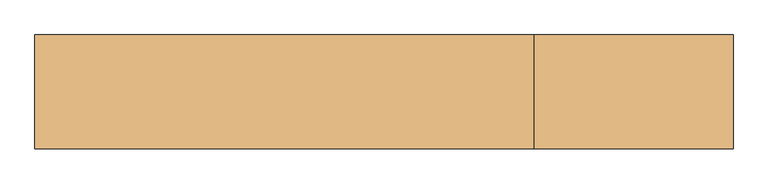
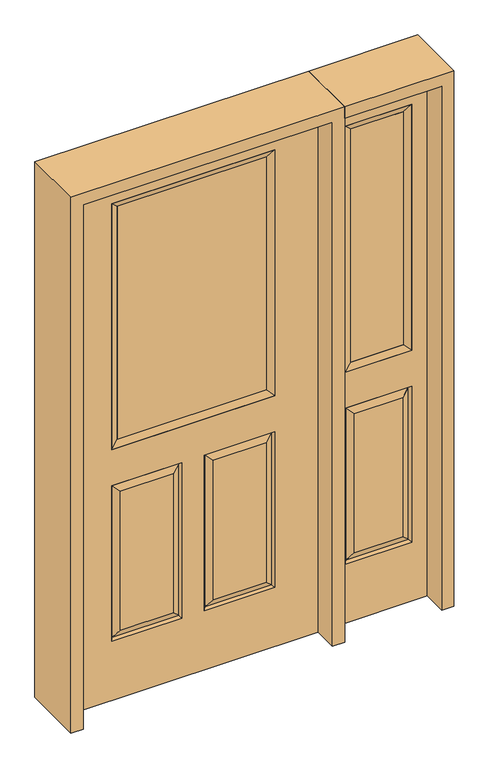
"""IFC4 building model written with IfcOpenShell, lengths in millimetres: door geometry."""

from ifc_helpers import new_model, si_unit, frame, origin, place, context, project, spatial, polyline, outline, extrude, faceted_brep, source, transform, mapped, element, save


def door_63c38b72(model_context):
    return source(origin(), model_context, "Body", "SolidModel", [
        faceted_brep([(-457.2, -22.225, 0.0), (457.2, -22.225, 0.0), (457.2, -22.225, 2032.0), (-457.2, -22.225, 2032.0), (-299.339, -22.225, 971.55), (-299.339, -22.225, 1925.574), (299.339, -22.225, 1925.574), (299.339, -22.225, 971.55), (-299.339, -22.225, 831.85), (-41.275, -22.225, 831.85), (-41.275, -22.225, 228.6), (-299.339, -22.225, 228.6), (41.275, -22.225, 831.85), (299.339, -22.225, 831.85), (299.339, -22.225, 228.6), (41.275, -22.225, 228.6), (-73.025, -22.225, 800.1), (-267.589, -22.225, 800.1), (-267.589, -22.225, 260.35), (-73.025, -22.225, 260.35), (267.589, -22.225, 800.1), (73.025, -22.225, 800.1), (73.025, -22.225, 260.35), (267.589, -22.225, 260.35), (-457.2, 22.225, 0.0), (457.2, 22.225, 0.0), (457.2, 22.225, 2032.0), (-457.2, 22.225, 2032.0), (-299.339, 22.225, 971.55), (-299.339, 22.225, 1925.574), (299.339, 22.225, 1925.574), (299.339, 22.225, 971.55), (-41.275, 22.225, 831.85), (-299.339, 22.225, 831.85), (-299.339, 22.225, 228.6), (-41.275, 22.225, 228.6), (299.339, 22.225, 831.85), (41.275, 22.225, 831.85), (41.275, 22.225, 228.6), (299.339, 22.225, 228.6), (-267.589, 22.225, 800.1), (-73.025, 22.225, 800.1), (-73.025, 22.225, 260.35), (-267.589, 22.225, 260.35), (73.025, 22.225, 800.1), (267.589, 22.225, 800.1), (267.589, 22.225, 260.35), (73.025, 22.225, 260.35), (-48.41875, -12.7449236, 824.70625), (-292.19525, -12.7449236, 824.70625), (-292.19525, -12.7449236, 235.74375), (-48.41875, -12.7449236, 235.74375), (292.19525, -12.7449236, 824.70625), (48.41875, -12.7449236, 824.70625), (48.41875, -12.7449236, 235.74375), (292.19525, -12.7449236, 235.74375), (-292.19525, 12.7449236, 824.70625), (-48.41875, 12.7449236, 824.70625), (-48.41875, 12.7449236, 235.74375), (-292.19525, 12.7449236, 235.74375), (48.41875, 12.7449236, 824.70625), (292.19525, 12.7449236, 824.70625), (292.19525, 12.7449236, 235.74375), (48.41875, 12.7449236, 235.74375)], [[[0, 1, 2, 3], [4, 5, 6, 7], [8, 9, 10, 11], [12, 13, 14, 15]], [[16, 17, 18, 19]], [[20, 21, 22, 23]], [[1, 0, 24, 25]], [[2, 1, 25, 26]], [[0, 3, 27, 24]], [[5, 4, 28, 29]], [[7, 6, 30, 31]], [[4, 7, 31, 28]], [[24, 27, 26, 25], [28, 31, 30, 29], [32, 33, 34, 35], [36, 37, 38, 39]], [[40, 41, 42, 43]], [[44, 45, 46, 47]], [[3, 2, 26, 27]], [[6, 5, 29, 30]], [[16, 48, 49, 17]], [[17, 49, 50, 18]], [[51, 19, 18, 50]], [[48, 16, 19, 51]], [[49, 48, 9, 8]], [[9, 48, 51, 10]], [[10, 51, 50, 11]], [[49, 8, 11, 50]], [[52, 53, 21, 20]], [[21, 53, 54, 22]], [[22, 54, 55, 23]], [[52, 20, 23, 55]], [[53, 52, 13, 12]], [[13, 52, 55, 14]], [[54, 15, 14, 55]], [[53, 12, 15, 54]], [[56, 57, 41, 40]], [[41, 57, 58, 42]], [[42, 58, 59, 43]], [[56, 40, 43, 59]], [[57, 56, 33, 32]], [[33, 56, 59, 34]], [[58, 35, 34, 59]], [[57, 32, 35, 58]], [[44, 60, 61, 45]], [[45, 61, 62, 46]], [[63, 47, 46, 62]], [[60, 44, 47, 63]], [[61, 60, 37, 36]], [[37, 60, 63, 38]], [[38, 63, 62, 39]], [[61, 36, 39, 62]]]),
        extrude(outline(polyline([(273.939, -12.7), (-273.939, -12.7), (-273.939, 12.7), (273.939, 12.7), (273.939, -12.7)])), frame((0.0, 0.0, 996.95), z_axis=(0.0, 0.0, 1.0), x_axis=(1.0, 0.0, 0.0)), (0.0, 0.0, 1.0), 903.224),
        faceted_brep([(-299.339, -22.225, 1925.574), (-299.339, 22.225, 1925.574), (-299.339, 22.225, 971.55), (-299.339, -22.225, 971.55), (299.339, 22.225, 971.55), (299.339, -22.225, 971.55), (-273.939, 12.7, 996.95), (273.939, 12.7, 996.95), (299.339, 22.225, 1925.574), (299.339, -22.225, 1925.574), (-273.939, -12.7, 996.95), (273.939, -12.7, 996.95), (-273.939, -12.7, 1900.174), (273.939, -12.7, 1900.174), (-273.939, 12.7, 1900.174), (273.939, 12.7, 1900.174)], [[[0, 1, 2, 3]], [[3, 2, 4, 5]], [[2, 6, 7, 4]], [[5, 4, 8, 9]], [[10, 3, 5, 11]], [[12, 0, 3, 10]], [[11, 5, 9, 13]], [[6, 10, 11, 7]], [[14, 12, 10, 6]], [[7, 11, 13, 15]], [[1, 14, 6, 2]], [[4, 7, 15, 8]], [[9, 8, 1, 0]], [[13, 9, 0, 12]], [[15, 13, 12, 14]], [[8, 15, 14, 1]]]),
        faceted_brep([(857.25, -22.225, 0.0), (857.25, -22.225, 2032.0), (501.65, -22.225, 2032.0), (501.65, -22.225, 0.0), (558.038, -22.225, 1925.574), (800.862, -22.225, 1925.574), (800.862, -22.225, 971.55), (558.038, -22.225, 971.55), (558.038, -22.225, 228.6), (558.038, -22.225, 831.85), (800.862, -22.225, 831.85), (800.862, -22.225, 228.6), (768.9559872, -22.225, 260.5060128), (768.9559872, -22.225, 799.9439872), (589.9440128, -22.225, 799.9439872), (589.9440128, -22.225, 260.5060128), (501.65, 22.225, 0.0), (857.25, 22.225, 0.0), (501.65, 22.225, 2032.0), (857.25, 22.225, 2032.0), (558.038, 22.225, 971.55), (558.038, 22.225, 1925.574), (800.862, 22.225, 971.55), (800.862, 22.225, 1925.574), (800.862, 22.225, 228.6), (800.862, 22.225, 831.85), (558.038, 22.225, 831.85), (558.038, 22.225, 228.6), (589.9440128, 22.225, 260.5060128), (589.9440128, 22.225, 799.9439872), (768.9559872, 22.225, 799.9439872), (768.9559872, 22.225, 260.5060128), (793.9419933, -13.0418409, 235.5200067), (564.9580067, -13.0418409, 235.5200067), (793.9419933, -13.0418409, 824.9299933), (564.9580067, -13.0418409, 824.9299933), (793.9419933, 13.0418409, 235.5200067), (564.9580067, 13.0418409, 235.5200067), (564.9580067, 13.0418409, 824.9299933), (793.9419933, 13.0418409, 824.9299933)], [[[0, 1, 2, 3], [4, 5, 6, 7], [8, 9, 10, 11]], [[12, 13, 14, 15]], [[3, 16, 17, 0]], [[2, 18, 16, 3]], [[0, 17, 19, 1]], [[7, 20, 21, 4]], [[6, 22, 20, 7]], [[5, 23, 22, 6]], [[17, 16, 18, 19], [21, 20, 22, 23], [24, 25, 26, 27]], [[28, 29, 30, 31]], [[1, 19, 18, 2]], [[4, 21, 23, 5]], [[8, 11, 32, 33]], [[11, 10, 34, 32]], [[35, 34, 10, 9]], [[33, 35, 9, 8]], [[32, 12, 15, 33]], [[15, 14, 35, 33]], [[14, 13, 34, 35]], [[32, 34, 13, 12]], [[36, 24, 27, 37]], [[27, 26, 38, 37]], [[26, 25, 39, 38]], [[36, 39, 25, 24]], [[37, 28, 31, 36]], [[31, 30, 39, 36]], [[38, 39, 30, 29]], [[37, 38, 29, 28]]]),
        extrude(outline(polyline([(583.438, -12.7), (583.438, 12.7), (775.462, 12.7), (775.462, -12.7), (583.438, -12.7)])), frame((0.0, 0.0, 996.95), z_axis=(0.0, 0.0, 1.0), x_axis=(1.0, 0.0, 0.0)), (0.0, 0.0, 1.0), 903.224),
        faceted_brep([(800.862, -22.225, 1925.574), (800.862, -22.225, 971.55), (800.862, 22.225, 971.55), (800.862, 22.225, 1925.574), (558.038, -22.225, 971.55), (558.038, 22.225, 971.55), (583.438, 12.7, 996.95), (775.462, 12.7, 996.95), (558.038, -22.225, 1925.574), (558.038, 22.225, 1925.574), (775.462, -12.7, 996.95), (583.438, -12.7, 996.95), (775.462, -12.7, 1900.174), (583.438, -12.7, 1900.174), (775.462, 12.7, 1900.174), (583.438, 12.7, 1900.174)], [[[0, 1, 2, 3]], [[1, 4, 5, 2]], [[2, 5, 6, 7]], [[4, 8, 9, 5]], [[10, 11, 4, 1]], [[12, 10, 1, 0]], [[11, 13, 8, 4]], [[7, 6, 11, 10]], [[14, 7, 10, 12]], [[6, 15, 13, 11]], [[3, 2, 7, 14]], [[5, 9, 15, 6]], [[8, 0, 3, 9]], [[13, 12, 0, 8]], [[15, 14, 12, 13]], [[9, 3, 14, 15]]]),
        extrude(outline(polyline([(2076.45, 501.65), (2032.0, 501.65), (2032.0, 857.25), (0.0, 857.25), (0.0, 901.7), (2076.45, 901.7), (2076.45, 501.65)])), frame((0.0, -114.3, 0.0), z_axis=(0.0, 1.0, 0.0), x_axis=(0.0, 0.0, 1.0)), (0.0, 0.0, 1.0), 228.6),
        extrude(outline(polyline([(0.0, -501.65), (0.0, -457.2), (2032.0, -457.2), (2032.0, 457.2), (0.0, 457.2), (0.0, 501.65), (2076.45, 501.65), (2076.45, -501.65), (0.0, -501.65)])), frame((0.0, -114.3, 0.0), z_axis=(0.0, 1.0, 0.0), x_axis=(0.0, 0.0, 1.0)), (0.0, 0.0, 1.0), 228.6),
    ])


if __name__ == "__main__":
    model = new_model("IFC4")
    model_context = context("Model", 3, world=origin())
    ifc_project = project(units=[si_unit("LENGTHUNIT", "METRE", prefix="MILLI")], contexts=[model_context])
    site = spatial("IfcSite", under=ifc_project)
    building = spatial("IfcBuilding", under=site)
    placement = place(None, origin())
    door_shape = door_63c38b72(model_context)
    element("IfcDoor", 1, at=placement, inside=building, context=model_context, shape_type="MappedRepresentation", body=[
        mapped(door_shape, transform((0.0, 0.0, 0.0), x_axis=(1.0, 0.0, 0.0), y_axis=(0.0, 1.0, 0.0), z_axis=(0.0, 0.0, 1.0))),
    ])
    save(model, "model.ifc")
